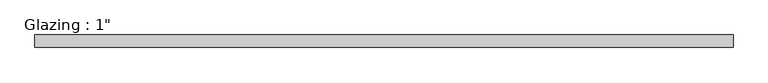
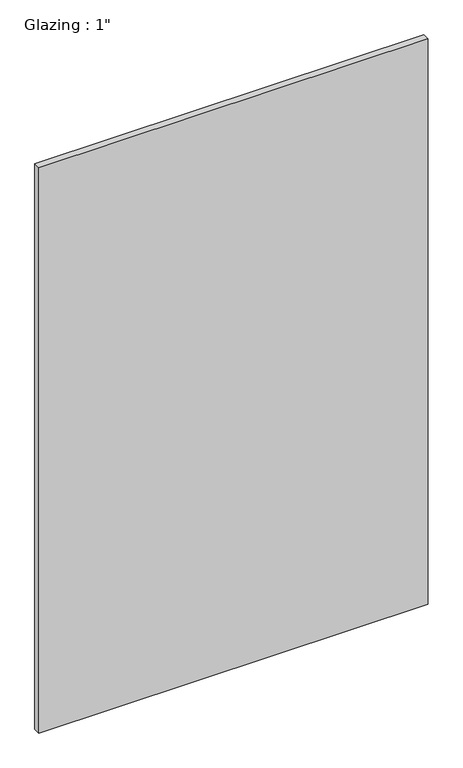
"""IFC4 building model written with IfcOpenShell, lengths in millimetres: plate geometry."""

from ifc_helpers import new_model, si_unit, origin, origin_with_axes, place, context, project, spatial, polyline, outline, extrude, source, transform, mapped, element, save


def plate_040e1bb6(model_context):
    return source(origin(), model_context, "Body", "SweptSolid", [
        extrude(outline(polyline([(709.0776675, -12.7), (-709.0776675, -12.7), (-709.0776675, 12.7), (709.0776675, 12.7), (709.0776675, -12.7)])), origin_with_axes(), (0.0, 0.0, 1.0), 2177.9425731),
    ])


if __name__ == "__main__":
    model = new_model("IFC4")
    model_context = context("Model", 3, world=origin())
    ifc_project = project(units=[si_unit("LENGTHUNIT", "METRE", prefix="MILLI")], contexts=[model_context])
    site = spatial("IfcSite", under=ifc_project)
    building = spatial("IfcBuilding", under=site)
    placement = place(None, origin())
    plate_shape = plate_040e1bb6(model_context)
    element("IfcPlate", 1, ObjectType="Glazing : 1\"", at=placement, inside=building, context=model_context, shape_type="MappedRepresentation", body=[
        mapped(plate_shape, transform((0.0, 0.0, 0.0), x_axis=(1.0, 0.0, 0.0), y_axis=(0.0, 1.0, 0.0), z_axis=(0.0, 0.0, 1.0))),
    ])
    save(model, "model.ifc")
